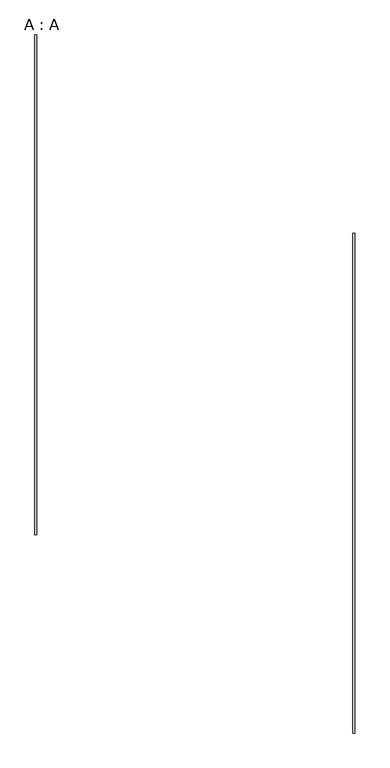
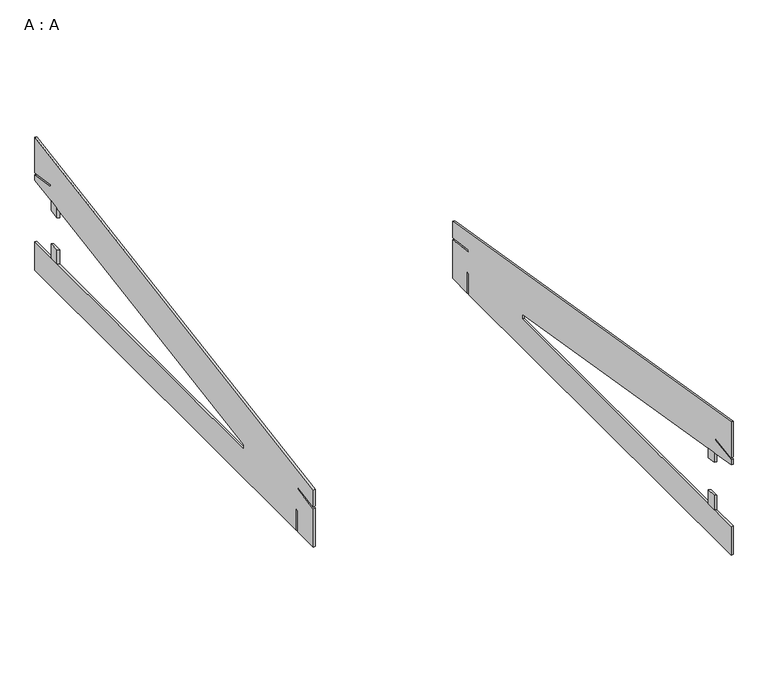
"""IFC4 building model written with IfcOpenShell, lengths in millimetres: proxy geometry, A : A."""

from ifc_helpers import new_model, si_unit, origin, place, context, project, spatial, faceted_brep, source, transform, mapped, element, save


def a_a_f43eb8cf(model_context):
    return source(origin(), model_context, "Body", "Brep", [
        faceted_brep([(3166.6230114, 946.3149294, 442.2529492), (3166.6230114, 946.3149294, 392.2529492), (3166.6230114, 896.3149294, 400.5862825), (3166.6230114, 896.3149294, 450.5862825), (3176.6230114, 940.0927072, 393.2899862), (3176.6230114, 890.0927072, 401.6233196), (3176.6230114, 940.0927072, 443.2899862), (3176.6230114, 890.0927072, 451.6233196), (3166.6230114, 896.3149294, 225.0), (3166.6230114, 946.3149294, 225.0), (3166.6230114, 946.3149294, 150.0), (3166.6230114, 896.3149294, 150.0), (3176.6230114, 940.0927072, 225.0), (3176.6230114, 940.0927072, 150.0), (3176.6230114, 890.0927072, 225.0), (3176.6230114, 890.0927072, 150.0), (3166.6230114, 749.8326245, 150.0), (3176.6230114, 749.8326245, 150.0), (3166.6230114, 749.8326245, 0.0), (3176.6230114, 749.8326245, 0.0), (3166.6230114, 3009.5725419, 0.0), (3176.6230114, 3003.3503196, 0.0), (3166.6230114, 3149.8326245, 202.846914), (3176.6230114, 3149.8326245, 199.9851856), (3176.6230114, 3149.8326245, 0.0), (3166.6230114, 3149.8326245, 0.0), (3166.6230114, 3149.8326245, 300.0), (3166.6230114, 749.8326245, 700.0), (3176.6230114, 749.8326245, 700.0), (3176.6230114, 3149.8326245, 300.0), (3166.6230114, 749.8326245, 510.4864193), (3176.6230114, 749.8326245, 513.3481477), (3166.6230114, 2549.8326245, 175.0), (3176.6230114, 2549.8326245, 175.0), (3166.6230114, 2549.8326245, 150.0), (3176.6230114, 2549.8326245, 150.0), (3166.6230114, 749.8326245, 475.0), (3166.6230114, 749.8326245, 499.9851856), (3166.6230114, 887.40456, 519.8566874), (3166.6230114, 887.40456, 530.3579211), (3166.6230114, 3149.8326245, 213.3481477), (3166.6230114, 3012.4399502, 233.1937562), (3166.6230114, 3012.4399502, 222.6925225), (3166.6230114, 3021.3503196, 0.0), (3166.6230114, 3021.3503196, 109.9527346), (3166.6230114, 3009.5725419, 109.9527346), (3176.6230114, 887.2252988, 533.1937562), (3176.6230114, 749.8326245, 502.846914), (3176.6230114, 887.2252988, 522.6925225), (3176.6230114, 749.8326245, 475.0), (3176.6230114, 3149.8326245, 210.4864193), (3176.6230114, 3012.2606891, 230.3579211), (3176.6230114, 3012.2606891, 219.8566874), (3176.6230114, 3015.1280974, 109.9527346), (3176.6230114, 3015.1280974, 0.0), (3176.6230114, 3003.3503196, 109.9527346)], [[[0, 1, 2, 3]], [[2, 1, 4, 5]], [[6, 4, 1, 0]], [[7, 5, 4, 6]], [[7, 3, 2, 5]], [[8, 9, 10, 11]], [[9, 12, 13, 10]], [[12, 14, 15, 13]], [[14, 8, 11, 15]], [[8, 14, 12, 9]], [[15, 11, 16, 17]], [[16, 18, 19, 17]], [[20, 21, 19, 18]], [[22, 23, 24, 25]], [[26, 27, 28, 29]], [[30, 31, 28, 27]], [[6, 0, 32, 33]], [[32, 34, 35, 33]], [[20, 18, 16, 11, 10, 34, 32, 0, 3, 36, 37, 38, 39, 30, 27, 26, 40, 41, 42, 22, 25, 43, 44, 45]], [[30, 39, 46, 31]], [[37, 47, 48, 38]], [[48, 46, 39, 38]], [[37, 36, 49, 47]], [[41, 40, 50, 51]], [[42, 41, 51, 52]], [[22, 42, 52, 23]], [[40, 26, 29, 50]], [[53, 54, 24, 23, 52, 51, 50, 29, 28, 31, 46, 48, 47, 49, 7, 6, 33, 35, 13, 15, 17, 19, 21, 55]], [[20, 45, 55, 21]], [[44, 43, 54, 53]], [[44, 53, 55, 45]], [[43, 25, 24, 54]], [[10, 13, 35, 34]], [[3, 7, 49, 36]]]),
        faceted_brep([(1648.3211246, 3904.2937159, 442.2529492), (1648.3211246, 3904.2937159, 392.2529492), (1648.3211246, 3954.2937159, 400.5862825), (1648.3211246, 3954.2937159, 450.5862825), (1638.3211246, 3910.5159381, 393.2899862), (1638.3211246, 3960.5159381, 401.6233196), (1638.3211246, 3910.5159381, 443.2899862), (1638.3211246, 3960.5159381, 451.6233196), (1648.3211246, 3954.2937159, 225.0), (1648.3211246, 3904.2937159, 225.0), (1648.3211246, 3904.2937159, 150.0), (1648.3211246, 3954.2937159, 150.0), (1638.3211246, 3910.5159381, 225.0), (1638.3211246, 3910.5159381, 150.0), (1638.3211246, 3960.5159381, 225.0), (1638.3211246, 3960.5159381, 150.0), (1648.3211246, 4100.7760208, 150.0), (1638.3211246, 4100.7760208, 150.0), (1648.3211246, 4100.7760208, 0.0), (1638.3211246, 4100.7760208, 0.0), (1648.3211246, 1841.0361034, 0.0), (1638.3211246, 1847.2583257, 0.0), (1648.3211246, 1700.7760208, 202.846914), (1638.3211246, 1700.7760208, 199.9851856), (1638.3211246, 1700.7760208, 0.0), (1648.3211246, 1700.7760208, 0.0), (1648.3211246, 1700.7760208, 300.0), (1648.3211246, 4100.7760208, 700.0), (1638.3211246, 4100.7760208, 700.0), (1638.3211246, 1700.7760208, 300.0), (1648.3211246, 4100.7760208, 510.4864193), (1638.3211246, 4100.7760208, 513.3481477), (1648.3211246, 2300.7760208, 175.0), (1638.3211246, 2300.7760208, 175.0), (1648.3211246, 2300.7760208, 150.0), (1638.3211246, 2300.7760208, 150.0), (1648.3211246, 4100.7760208, 475.0), (1648.3211246, 4100.7760208, 499.9851856), (1648.3211246, 3963.2040853, 519.8566874), (1648.3211246, 3963.2040853, 530.3579211), (1648.3211246, 1700.7760208, 213.3481477), (1648.3211246, 1838.1686951, 233.1937562), (1648.3211246, 1838.1686951, 222.6925225), (1648.3211246, 1829.2583257, 0.0), (1648.3211246, 1829.2583257, 109.9527346), (1648.3211246, 1841.0361034, 109.9527346), (1638.3211246, 3963.3833465, 533.1937562), (1638.3211246, 4100.7760208, 502.846914), (1638.3211246, 3963.3833465, 522.6925225), (1638.3211246, 4100.7760208, 475.0), (1638.3211246, 1700.7760208, 210.4864193), (1638.3211246, 1838.3479562, 230.3579211), (1638.3211246, 1838.3479562, 219.8566874), (1638.3211246, 1835.4805479, 109.9527346), (1638.3211246, 1835.4805479, 0.0), (1638.3211246, 1847.2583257, 109.9527346)], [[[0, 1, 2, 3]], [[2, 1, 4, 5]], [[6, 4, 1, 0]], [[7, 5, 4, 6]], [[7, 3, 2, 5]], [[8, 9, 10, 11]], [[9, 12, 13, 10]], [[12, 14, 15, 13]], [[14, 8, 11, 15]], [[8, 14, 12, 9]], [[15, 11, 16, 17]], [[16, 18, 19, 17]], [[20, 21, 19, 18]], [[22, 23, 24, 25]], [[26, 27, 28, 29]], [[30, 31, 28, 27]], [[6, 0, 32, 33]], [[32, 34, 35, 33]], [[20, 18, 16, 11, 10, 34, 32, 0, 3, 36, 37, 38, 39, 30, 27, 26, 40, 41, 42, 22, 25, 43, 44, 45]], [[30, 39, 46, 31]], [[37, 47, 48, 38]], [[48, 46, 39, 38]], [[37, 36, 49, 47]], [[41, 40, 50, 51]], [[42, 41, 51, 52]], [[22, 42, 52, 23]], [[40, 26, 29, 50]], [[53, 54, 24, 23, 52, 51, 50, 29, 28, 31, 46, 48, 47, 49, 7, 6, 33, 35, 13, 15, 17, 19, 21, 55]], [[20, 45, 55, 21]], [[44, 43, 54, 53]], [[44, 53, 55, 45]], [[43, 25, 24, 54]], [[10, 13, 35, 34]], [[3, 7, 49, 36]]]),
    ])


if __name__ == "__main__":
    model = new_model("IFC4")
    model_context = context("Model", 3, world=origin())
    ifc_project = project(units=[si_unit("LENGTHUNIT", "METRE", prefix="MILLI")], contexts=[model_context])
    site = spatial("IfcSite", under=ifc_project)
    building = spatial("IfcBuilding", under=site)
    placement = place(None, origin())
    a_a_shape = a_a_f43eb8cf(model_context)
    element("IfcBuildingElementProxy", 1, Name="A : A", ObjectType="A : A", at=placement, inside=building, context=model_context, shape_type="MappedRepresentation", body=[
        mapped(a_a_shape, transform((0.0, 0.0, 0.0), x_axis=(1.0, 0.0, 0.0), y_axis=(0.0, 1.0, 0.0), z_axis=(0.0, 0.0, 1.0))),
    ])
    save(model, "model.ifc")
